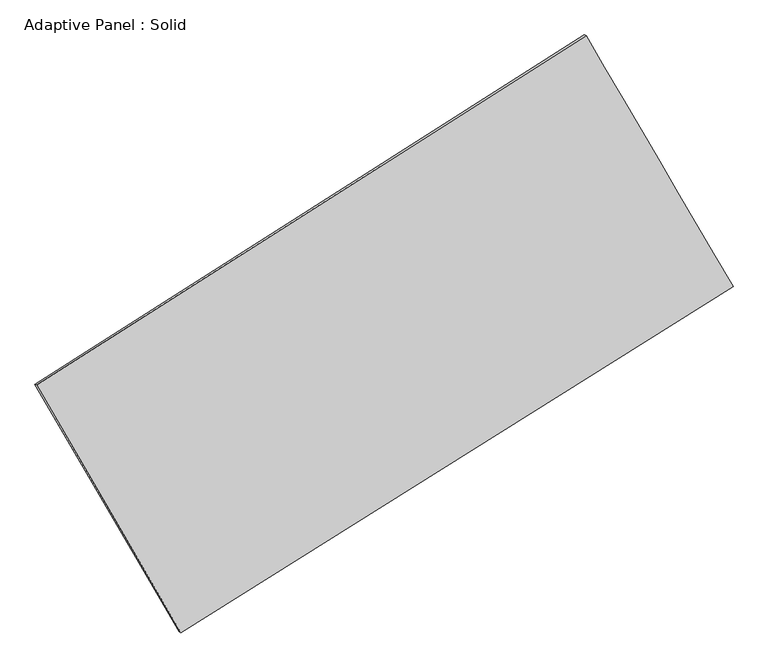
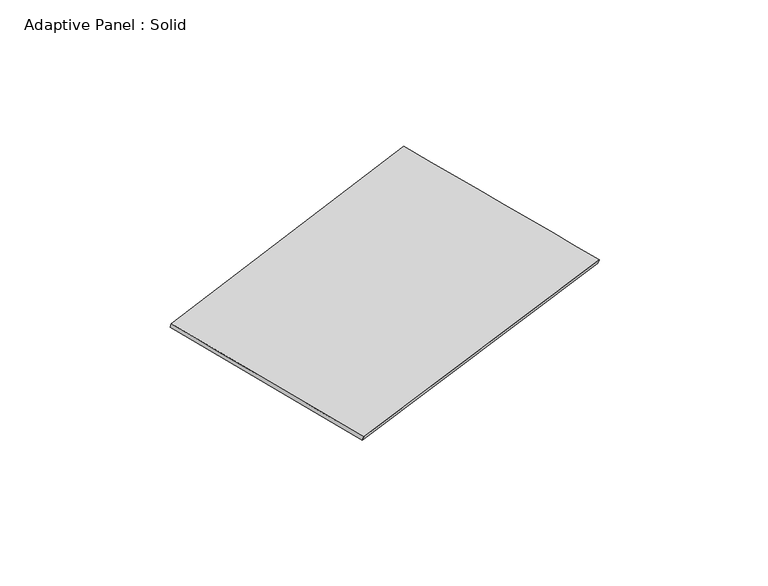
"""IFC4 building model written with IfcOpenShell, lengths in millimetres: plate geometry, Adaptive Panel : Solid."""

from ifc_helpers import new_model, si_unit, frame, origin, place, context, project, spatial, source, transform, mapped, element, save
from ifc_brep_helpers import plane_surface, spline_surface, advanced_brep


def adaptive_panel_solid_e946ffc6(model_context):
    return source(origin(), model_context, "Body", "AdvancedBrep", [
        advanced_brep(
        [(1140.8191637, 2558.314884, 669.5735667), (-3734.843401, -544.800394, 1771.2958236), (-3720.1770452, -551.1804875, 1818.6687317), (1155.4855196, 2551.9347906, 716.9464747), (-2454.0612253, -2742.7794393, 1068.5182039), (-2439.3948695, -2749.1595327, 1115.8911119), (2444.7948844, 329.0163764, -24.265074), (2459.4612403, 322.6362829, 23.107834)],
        [
            (0, 1),
            (1, 2),
            (2, 3),
            (3, 0),
            (1, 4),
            (4, 5),
            (5, 2),
            (4, 6),
            (6, 7),
            (7, 5),
            (6, 0),
            (3, 7),
        ],
        [
            plane_surface(frame((-1297.0121186, 1006.757245, 1220.4346952), z_axis=(-0.47582371156046555, 0.8400925252595538, 0.2604541121192923), x_axis=(-0.8287054735840776, -0.527429571247667, 0.18725727068739367))),
            plane_surface(frame((-3094.4523132, -1643.7899166, 1419.9070138), z_axis=(-0.823044176098192, -0.5379044083615717, 0.1823653795434763), x_axis=(0.48529061605863183, -0.8328181209795282, -0.2662836745532135))),
            plane_surface(frame((-4.6331704, -1206.8815314, 522.1265649), z_axis=(0.4708808380104427, -0.8432151161223088, -0.2593443740230832), x_axis=(0.8324829745894766, 0.5220030269628134, -0.1857012031741238))),
            plane_surface(frame((1792.8070241, 1443.6656302, 322.6542464), z_axis=(0.8229327974170086, 0.5380951805432994, -0.1823052045650119), x_axis=(-0.4876068781171123, 0.8336208016981119, 0.2594530620152341))),
            spline_surface(1, 1, [[(-3720.1770452, -551.1804875, 1818.6687317), (1155.4855196, 2551.9347906, 716.9464747)], [(-2439.3948695, -2749.1595327, 1115.8911119), (2459.4612403, 322.6362829, 23.107834)]], [2, 2], [2, 2], [0.0, 1.0], [0.0, 1.0]),
            spline_surface(1, 1, [[(2444.7948844, 329.0163764, -24.265074), (1140.8191637, 2558.314884, 669.5735667)], [(-2454.0612253, -2742.7794393, 1068.5182039), (-3734.843401, -544.800394, 1771.2958236)]], [2, 2], [2, 2], [0.0, 1.0], [0.0, 1.0]),
        ],
        [
            (0, [[1, 2, 3, 4]]),
            (1, [[5, 6, 7, -2]]),
            (2, [[8, 9, 10, -6]]),
            (3, [[11, -4, 12, -9]]),
            (4, [[-3, -7, -10, -12]]),
            (5, [[-11, -8, -5, -1]]),
        ],
    ),
    ])


if __name__ == "__main__":
    model = new_model("IFC4")
    model_context = context("Model", 3, world=origin())
    ifc_project = project(units=[si_unit("LENGTHUNIT", "METRE", prefix="MILLI")], contexts=[model_context])
    site = spatial("IfcSite", under=ifc_project)
    building = spatial("IfcBuilding", under=site)
    placement = place(None, origin())
    adaptive_panel_solid_shape = adaptive_panel_solid_e946ffc6(model_context)
    element("IfcPlate", 1, ObjectType="Adaptive Panel : Solid", at=placement, inside=building, context=model_context, shape_type="MappedRepresentation", body=[
        mapped(adaptive_panel_solid_shape, transform((0.0, 0.0, 0.0), x_axis=(1.0, 0.0, 0.0), y_axis=(0.0, 1.0, 0.0), z_axis=(0.0, 0.0, 1.0))),
    ])
    save(model, "model.ifc")
